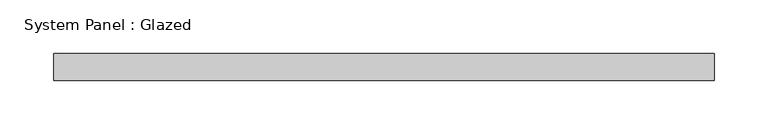
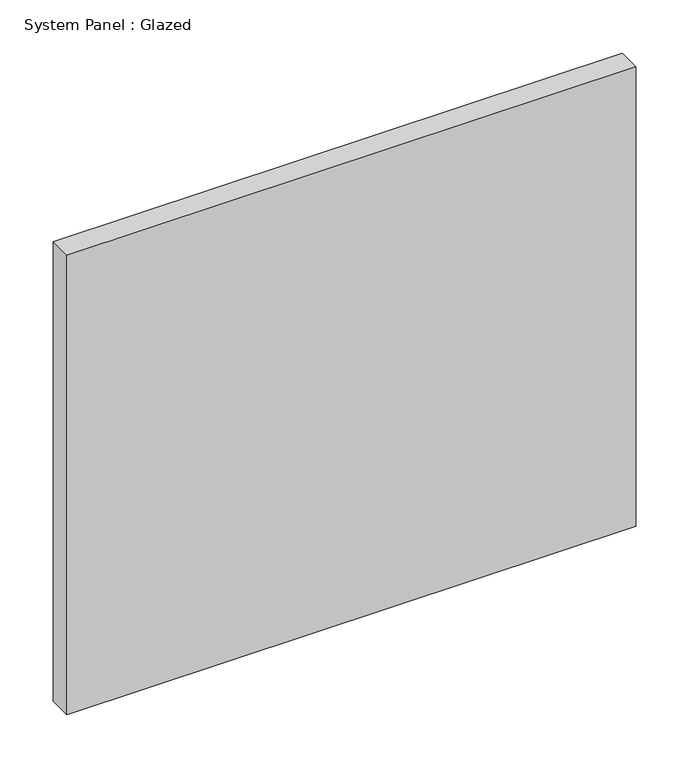
"""IFC4 building model written with IfcOpenShell, lengths in millimetres: plate geometry, System Panel : Glazed."""

import ifcopenshell
import ifcopenshell.guid

model = None  # the IFC model being written
_history = None  # IfcOwnerHistory: only IFC2X3 demands one
_inside = {}  # id of a spatial element -> (the spatial element, [elements in it])
_under = {}  # id of a project, library or spatial element -> (it, [spatial elements below it])
_declared = {}  # id of a project -> (the project, [libraries it declares])
_typed = {}  # id of a type object -> (the type object, [elements of that type])
_made_of = {}  # id of a material, layer set ... -> (it, [elements and type objects made of it])


def new_model(schema):
    """Start an empty IFC model of exactly this schema.

    Asked for "IFC4X3", IfcOpenShell would pick the latest addendum, in which some entities
    have other attributes; the version numbers below select the first issue.
    IFC2X3 requires an IfcOwnerHistory on every rooted entity: one is made here for all.
    """
    global model, _history
    if schema == "IFC4X3":
        model = ifcopenshell.file(schema_version=(4, 3, 0, 0))
    else:
        model = ifcopenshell.file(schema=schema)
    _inside.clear()
    _under.clear()
    _declared.clear()
    _typed.clear()
    _made_of.clear()
    _history = None
    if model.schema == "IFC2X3":
        org = make("IfcOrganization", Name="unknown")
        user = make(
            "IfcPersonAndOrganization",
            ThePerson=make("IfcPerson", FamilyName="unknown"),
            TheOrganization=org,
        )
        app = make(
            "IfcApplication",
            ApplicationDeveloper=org,
            Version="unknown",
            ApplicationFullName="unknown",
            ApplicationIdentifier="unknown",
        )
        _history = make(
            "IfcOwnerHistory",
            OwningUser=user,
            OwningApplication=app,
            ChangeAction="ADDED",
            CreationDate=0,
        )
    return model


def make(cls, **values):
    """One entity of the class cls with the attributes given. An attribute that is None is left unset."""
    return model.create_entity(
        cls, **{name: value for name, value in values.items() if value is not None}
    )


def rooted(cls, **values):
    """An entity with a GlobalId (a new one), such as an element, a storey or a relation."""
    return make(cls, GlobalId=ifcopenshell.guid.new(), OwnerHistory=_history, **values)


def si_unit(unit_type, name, prefix=None):
    """IfcSIUnit, for example si_unit("LENGTHUNIT", "METRE", prefix="MILLI")."""
    return make("IfcSIUnit", UnitType=unit_type, Prefix=prefix, Name=name)


def assignment(units):
    """IfcUnitAssignment: the units of a project."""
    return None if units is None else make("IfcUnitAssignment", Units=units)


def point(xyz):
    """IfcCartesianPoint."""
    return None if xyz is None else make("IfcCartesianPoint", Coordinates=xyz)


def direction(xyz):
    """IfcDirection."""
    return None if xyz is None else make("IfcDirection", DirectionRatios=xyz)


def frame(location, z_axis=None, x_axis=None):
    """IfcAxis2Placement3D, a coordinate frame: its origin and axes. An axis left out is left unset."""
    return make(
        "IfcAxis2Placement3D",
        Location=point(location),
        Axis=direction(z_axis),
        RefDirection=direction(x_axis),
    )


def origin():
    """The frame at (0, 0, 0) with its axes left unset."""
    return frame((0.0, 0.0, 0.0))


def origin_with_axes():
    """The frame at (0, 0, 0) with the z axis (0, 0, 1) and the x axis (1, 0, 0) written out."""
    return frame((0.0, 0.0, 0.0), z_axis=(0.0, 0.0, 1.0), x_axis=(1.0, 0.0, 0.0))


def place(relative_to, where):
    """IfcLocalPlacement: puts the frame where relative to a parent placement (None: the world)."""
    return make(
        "IfcLocalPlacement", PlacementRelTo=relative_to, RelativePlacement=where
    )


def context(
    kind, dimensions, precision=None, world=None, true_north=None, identifier=None
):
    """IfcGeometricRepresentationContext, for example the 3D "Model" context."""
    return make(
        "IfcGeometricRepresentationContext",
        ContextIdentifier=identifier,
        ContextType=kind,
        CoordinateSpaceDimension=dimensions,
        Precision=precision,
        WorldCoordinateSystem=world,
        TrueNorth=true_north,
    )


def project(units=None, contexts=None):
    """IfcProject with its units and contexts."""
    return rooted(
        "IfcProject",
        Name="project",
        RepresentationContexts=contexts,
        UnitsInContext=assignment(units),
    )


def spatial(cls, under=None, at=None, **own):
    """A site, building, storey or space (cls), placed at a placement, below another one or the project."""
    s = rooted(cls, ObjectPlacement=at, **own)
    if under is not None:
        _under.setdefault(under.id(), (under, []))[1].append(s)
    return s


def polyline(points):
    """IfcPolyline through the points."""
    return make("IfcPolyline", Points=[point(p) for p in points])


def outline(outer, holes=None, kind="AREA"):
    """IfcArbitraryClosedProfileDef: a profile drawn as a closed curve; with holes, ...WithVoids."""
    if holes is None:
        return make("IfcArbitraryClosedProfileDef", ProfileType=kind, OuterCurve=outer)
    return make(
        "IfcArbitraryProfileDefWithVoids",
        ProfileType=kind,
        OuterCurve=outer,
        InnerCurves=holes,
    )


def extrude(swept, where, along, depth):
    """IfcExtrudedAreaSolid: the profile swept, set in the frame where, extruded along a direction by depth."""
    return make(
        "IfcExtrudedAreaSolid",
        SweptArea=swept,
        Position=where,
        ExtrudedDirection=direction(along),
        Depth=depth,
    )


def shape(context_of_items, identifier, shape_type, items):
    """IfcShapeRepresentation: the items that make up one representation, for example the "Body"."""
    return make(
        "IfcShapeRepresentation",
        ContextOfItems=context_of_items,
        RepresentationIdentifier=identifier,
        RepresentationType=shape_type,
        Items=items,
    )


def source(mapping_origin, context_of_items, identifier, shape_type, items):
    """IfcRepresentationMap: a shape defined once, which mapped items show again and again."""
    return make(
        "IfcRepresentationMap",
        MappingOrigin=mapping_origin,
        MappedRepresentation=shape(context_of_items, identifier, shape_type, items),
    )


def transform(
    local_origin,
    x_axis=None,
    y_axis=None,
    z_axis=None,
    scale=None,
    scale2=None,
    scale3=None,
    uniform=True,
):
    """IfcCartesianTransformationOperator3D, or its non-uniform kind. x_axis, y_axis, z_axis: its Axis1, 2, 3."""
    if uniform:
        return make(
            "IfcCartesianTransformationOperator3D",
            Axis1=direction(x_axis),
            Axis2=direction(y_axis),
            LocalOrigin=point(local_origin),
            Scale=scale,
            Axis3=direction(z_axis),
        )
    return make(
        "IfcCartesianTransformationOperator3DnonUniform",
        Axis1=direction(x_axis),
        Axis2=direction(y_axis),
        LocalOrigin=point(local_origin),
        Scale=scale,
        Axis3=direction(z_axis),
        Scale2=scale2,
        Scale3=scale3,
    )


def mapped(mapping_source, mapping_target):
    """IfcMappedItem: shows the shape of a source again, moved by a transform."""
    return make(
        "IfcMappedItem", MappingSource=mapping_source, MappingTarget=mapping_target
    )


def made_of(thing, what):
    """Note that an element or type object is made of a material, layer set ...; save() writes the relation."""
    if what is not None:
        _made_of.setdefault(what.id(), (what, []))[1].append(thing)
    return thing


def element(
    cls,
    number,
    at=None,
    inside=None,
    cuts=None,
    type_object=None,
    material=None,
    context=None,
    identifier="Body",
    shape_type=None,
    held_by="IfcProductDefinitionShape",
    body=None,
    shapes=None,
    **own,
):
    """One element of the class cls, such as IfcWall. Its Tag is "e" and its number.

    at: its placement. inside: the storey or other place that contains it. cuts: it is an
    opening in that element (IfcRelVoidsElement). A single representation is given by context,
    identifier, shape_type and body (its items); several are given by shapes. held_by: the class
    of the entity that holds the representations. save() writes the other relations.
    """
    e = rooted(cls, Tag="e%d" % number, ObjectPlacement=at, **own)
    if body is not None:
        shapes = [shape(context, identifier, shape_type, body)]
    if shapes is not None:
        e.Representation = make(held_by, Representations=shapes)
    if inside is not None:
        _inside.setdefault(inside.id(), (inside, []))[1].append(e)
    if cuts is not None:
        rooted(
            "IfcRelVoidsElement", RelatingBuildingElement=cuts, RelatedOpeningElement=e
        )
    if type_object is not None:
        _typed.setdefault(type_object.id(), (type_object, []))[1].append(e)
    return made_of(e, material)


def aggregate(whole, parts):
    """IfcRelAggregates: a whole, such as a stair, and the parts it consists of."""
    return rooted("IfcRelAggregates", RelatingObject=whole, RelatedObjects=parts)


def save(model, path):
    """Write the relations noted so far, then the file.

    IfcRelAggregates (storeys below a building ...), IfcRelContainedInSpatialStructure (elements
    in a storey), IfcRelDefinesByType, IfcRelAssociatesMaterial and IfcRelDeclares: one each for
    every whole, place, type object, material and project.
    """
    for whole, parts in _under.values():
        aggregate(whole, parts)
    for where, things in _inside.values():
        rooted(
            "IfcRelContainedInSpatialStructure",
            RelatedElements=things,
            RelatingStructure=where,
        )
    for kind, things in _typed.values():
        rooted("IfcRelDefinesByType", RelatedObjects=things, RelatingType=kind)
    for what, things in _made_of.values():
        rooted("IfcRelAssociatesMaterial", RelatedObjects=things, RelatingMaterial=what)
    for by, libraries in _declared.values():
        rooted("IfcRelDeclares", RelatingContext=by, RelatedDefinitions=libraries)
    model.write(path)


def system_panel_glazed_625d612b(model_context):
    return source(origin(), model_context, "Body", "SweptSolid", [
        extrude(outline(polyline([(307.3318148, -49.5), (-307.3318148, -49.5), (-307.3318148, -24.5), (307.3318148, -24.5), (307.3318148, -49.5)])), origin_with_axes(), (0.0, 0.0, 1.0), 525.0),
    ])


if __name__ == "__main__":
    model = new_model("IFC4")
    model_context = context("Model", 3, world=origin())
    ifc_project = project(units=[si_unit("LENGTHUNIT", "METRE", prefix="MILLI")], contexts=[model_context])
    site = spatial("IfcSite", under=ifc_project)
    building = spatial("IfcBuilding", under=site)
    placement = place(None, origin())
    system_panel_glazed_shape = system_panel_glazed_625d612b(model_context)
    element("IfcPlate", 1, ObjectType="System Panel : Glazed", at=placement, inside=building, context=model_context, shape_type="MappedRepresentation", body=[
        mapped(system_panel_glazed_shape, transform((0.0, 0.0, 0.0), x_axis=(1.0, 0.0, 0.0), y_axis=(0.0, 1.0, 0.0), z_axis=(0.0, 0.0, 1.0))),
    ])
    save(model, "model.ifc")
